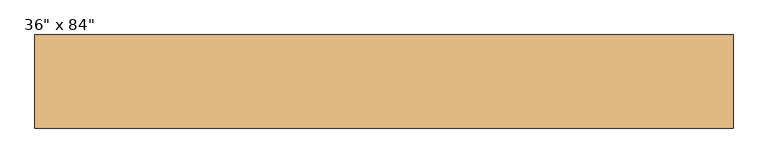
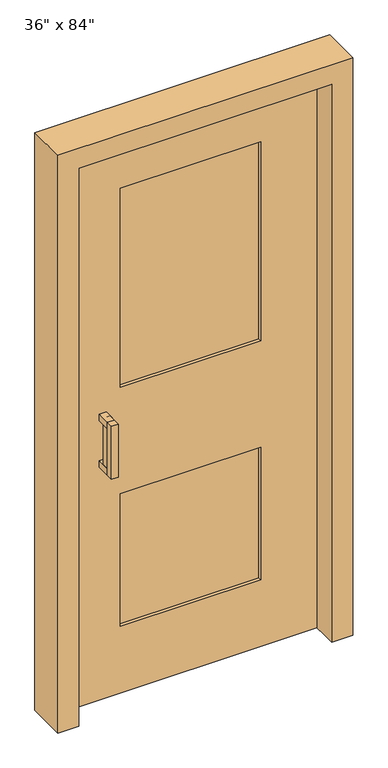
"""IFC4 building model written with IfcOpenShell, lengths in millimetres: door geometry."""

from ifc_helpers import new_model, si_unit, frame, origin, place, context, project, spatial, polyline, outline, extrude, source, transform, mapped, element, save


def door_0019bba8(model_context):
    return source(origin(), model_context, "Body", "SweptSolid", [
        extrude(outline(polyline([(2209.8, -533.4), (0.0, -533.4), (0.0, -457.2), (2133.6, -457.2), (2133.6, 457.2), (0.0, 457.2), (0.0, 533.4), (2209.8, 533.4), (2209.8, -533.4)])), frame((0.0, -71.4375, 0.0), z_axis=(0.0, 1.0, 0.0), x_axis=(0.0, 0.0, 1.0)), (0.0, 0.0, 1.0), 142.875),
        extrude(outline(polyline([(-304.8, -55.5625), (-330.2, -55.5625), (-330.2, -30.1625), (-304.8, -30.1625), (-304.8, -55.5625)])), frame((0.0, 0.0, 889.0), z_axis=(0.0, 0.0, 1.0), x_axis=(1.0, 0.0, 0.0)), (0.0, 0.0, 1.0), 203.2),
        extrude(outline(polyline([(-304.8, -30.1625), (-330.2, -30.1625), (-330.2, 20.6375), (-304.8, 20.6375), (-304.8, -30.1625)])), frame((0.0, 0.0, 1066.8), z_axis=(0.0, 0.0, 1.0), x_axis=(1.0, 0.0, 0.0)), (0.0, 0.0, 1.0), 25.4),
        extrude(outline(polyline([(-304.8, -30.1625), (-330.2, -30.1625), (-330.2, 20.6375), (-304.8, 20.6375), (-304.8, -30.1625)])), frame((0.0, 0.0, 889.0), z_axis=(0.0, 0.0, 1.0), x_axis=(1.0, 0.0, 0.0)), (0.0, 0.0, 1.0), 25.4),
        extrude(outline(polyline([(-304.8, -30.1625), (-330.2, -30.1625), (-330.2, -4.7625), (-304.8, -4.7625), (-304.8, -30.1625)])), frame((0.0, 0.0, 889.0), z_axis=(0.0, 0.0, 1.0), x_axis=(1.0, 0.0, 0.0)), (0.0, 0.0, 1.0), 203.2),
        extrude(outline(polyline([(-304.8, -4.7625), (-330.2, -4.7625), (-330.2, 46.0375), (-304.8, 46.0375), (-304.8, -4.7625)])), frame((0.0, 0.0, 1066.8), z_axis=(0.0, 0.0, 1.0), x_axis=(1.0, 0.0, 0.0)), (0.0, 0.0, 1.0), 25.4),
        extrude(outline(polyline([(-304.8, -4.7625), (-330.2, -4.7625), (-330.2, 46.0375), (-304.8, 46.0375), (-304.8, -4.7625)])), frame((0.0, 0.0, 889.0), z_axis=(0.0, 0.0, 1.0), x_axis=(1.0, 0.0, 0.0)), (0.0, 0.0, 1.0), 25.4),
        extrude(outline(polyline([(254.0, 33.3375), (-254.0, 33.3375), (-254.0, 39.6875), (254.0, 39.6875), (254.0, 33.3375)])), frame((0.0, 0.0, 254.0), z_axis=(0.0, 0.0, 1.0), x_axis=(1.0, 0.0, 0.0)), (0.0, 0.0, 1.0), 508.0),
        extrude(outline(polyline([(254.0, 33.3375), (-254.0, 33.3375), (-254.0, 39.6875), (254.0, 39.6875), (254.0, 33.3375)])), frame((0.0, 0.0, 1168.4), z_axis=(0.0, 0.0, 1.0), x_axis=(1.0, 0.0, 0.0)), (0.0, 0.0, 1.0), 762.0),
        extrude(outline(polyline([(254.0, 52.3875), (-254.0, 52.3875), (-254.0, 58.7375), (254.0, 58.7375), (254.0, 52.3875)])), frame((0.0, 0.0, 1168.4), z_axis=(0.0, 0.0, 1.0), x_axis=(1.0, 0.0, 0.0)), (0.0, 0.0, 1.0), 762.0),
        extrude(outline(polyline([(2133.6, -457.2), (0.0, -457.2), (0.0, 457.2), (2133.6, 457.2), (2133.6, -457.2)]), holes=[polyline([(1930.4, -254.0), (1930.4, 254.0), (1168.4, 254.0), (1168.4, -254.0), (1930.4, -254.0)]), polyline([(762.0, -254.0), (762.0, 254.0), (254.0, 254.0), (254.0, -254.0), (762.0, -254.0)])]), frame((0.0, 20.6375, 0.0), z_axis=(0.0, 1.0, 0.0), x_axis=(0.0, 0.0, 1.0)), (0.0, 0.0, 1.0), 50.8),
    ])


if __name__ == "__main__":
    model = new_model("IFC4")
    model_context = context("Model", 3, world=origin())
    ifc_project = project(units=[si_unit("LENGTHUNIT", "METRE", prefix="MILLI")], contexts=[model_context])
    site = spatial("IfcSite", under=ifc_project)
    building = spatial("IfcBuilding", under=site)
    placement = place(None, origin())
    door_shape = door_0019bba8(model_context)
    element("IfcDoor", 1, ObjectType="36\" x 84\"", at=placement, inside=building, context=model_context, shape_type="MappedRepresentation", body=[
        mapped(door_shape, transform((0.0, 0.0, 0.0), x_axis=(1.0, 0.0, 0.0), y_axis=(0.0, 1.0, 0.0), z_axis=(0.0, 0.0, 1.0))),
    ])
    save(model, "model.ifc")
